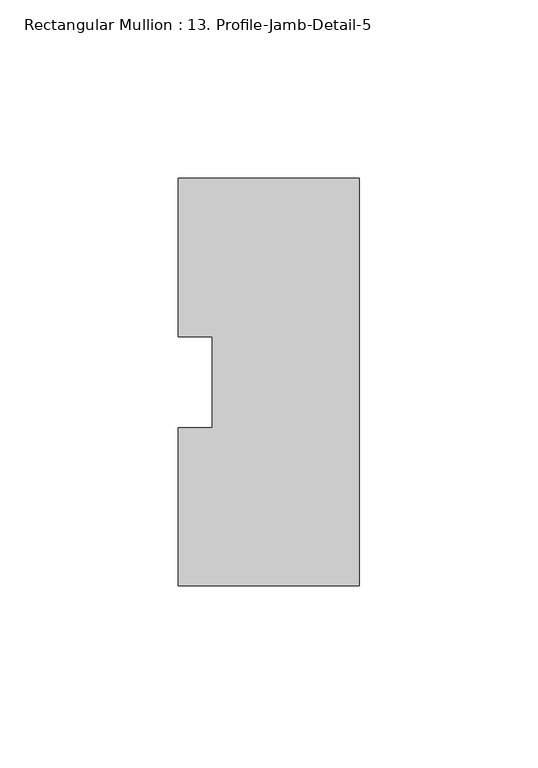
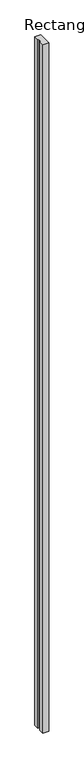
"""IFC4 building model written with IfcOpenShell, lengths in millimetres: member geometry, Rectangular Mullion : 13. Profile-Jamb-Detail-5."""

from ifc_helpers import new_model, si_unit, frame, origin, place, context, project, spatial, polyline, outline, extrude, source, transform, mapped, element, save


def rectangular_mullion_13_profile_jamb_detail_5_3ed7bbcf(model_context):
    return source(origin(), model_context, "Body", "SweptSolid", [
        extrude(outline(polyline([(0.0, 58.247915), (0.0, -56.065166), (-50.8, -56.065166), (-50.8, -11.6478617), (-41.275, -11.6478617), (-41.275, 13.8398366), (-50.8, 13.8398366), (-50.8, 58.234834), (0.0, 58.247915)])), frame((0.0, 0.0, -6096.0), z_axis=(0.0, 0.0, 1.0), x_axis=(1.0, 0.0, 0.0)), (0.0, 0.0, 1.0), 6096.0),
    ])


if __name__ == "__main__":
    model = new_model("IFC4")
    model_context = context("Model", 3, world=origin())
    ifc_project = project(units=[si_unit("LENGTHUNIT", "METRE", prefix="MILLI")], contexts=[model_context])
    site = spatial("IfcSite", under=ifc_project)
    building = spatial("IfcBuilding", under=site)
    placement = place(None, origin())
    rectangular_mullion_13_profile_jamb_detail_5_shape = rectangular_mullion_13_profile_jamb_detail_5_3ed7bbcf(model_context)
    element("IfcMember", 1, ObjectType="Rectangular Mullion : 13. Profile-Jamb-Detail-5", at=placement, inside=building, context=model_context, shape_type="MappedRepresentation", body=[
        mapped(rectangular_mullion_13_profile_jamb_detail_5_shape, transform((0.0, 0.0, 0.0), x_axis=(1.0, 0.0, 0.0), y_axis=(0.0, 1.0, 0.0), z_axis=(0.0, 0.0, 1.0))),
    ])
    save(model, "model.ifc")
